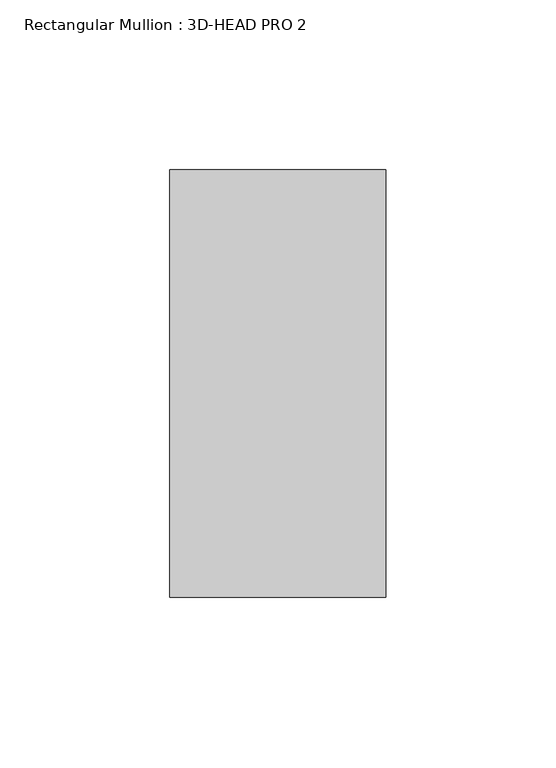
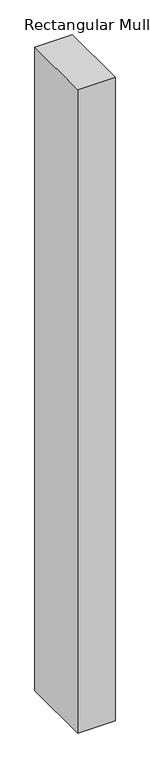
"""IFC4 building model written with IfcOpenShell, lengths in millimetres: member geometry, Rectangular Mullion : 3D-HEAD PRO 2."""

from ifc_helpers import new_model, si_unit, frame, origin, place, context, project, spatial, polyline, outline, extrude, source, transform, mapped, element, save


def rectangular_mullion_3d_head_pro_2_29178c70(model_context):
    return source(origin(), model_context, "Body", "SweptSolid", [
        extrude(outline(polyline([(0.0, 1.1452729), (-63.5, 1.1452729), (-63.5, 126.9260729), (0.0, 126.9260729), (0.0, 1.1452729)])), frame((0.0, 0.0, -1155.7), z_axis=(0.0, 0.0, 1.0), x_axis=(1.0, 0.0, 0.0)), (0.0, 0.0, 1.0), 1155.7),
    ])


if __name__ == "__main__":
    model = new_model("IFC4")
    model_context = context("Model", 3, world=origin())
    ifc_project = project(units=[si_unit("LENGTHUNIT", "METRE", prefix="MILLI")], contexts=[model_context])
    site = spatial("IfcSite", under=ifc_project)
    building = spatial("IfcBuilding", under=site)
    placement = place(None, origin())
    rectangular_mullion_3d_head_pro_2_shape = rectangular_mullion_3d_head_pro_2_29178c70(model_context)
    element("IfcMember", 1, ObjectType="Rectangular Mullion : 3D-HEAD PRO 2", at=placement, inside=building, context=model_context, shape_type="MappedRepresentation", body=[
        mapped(rectangular_mullion_3d_head_pro_2_shape, transform((0.0, 0.0, 0.0), x_axis=(1.0, 0.0, 0.0), y_axis=(0.0, 1.0, 0.0), z_axis=(0.0, 0.0, 1.0))),
    ])
    save(model, "model.ifc")
